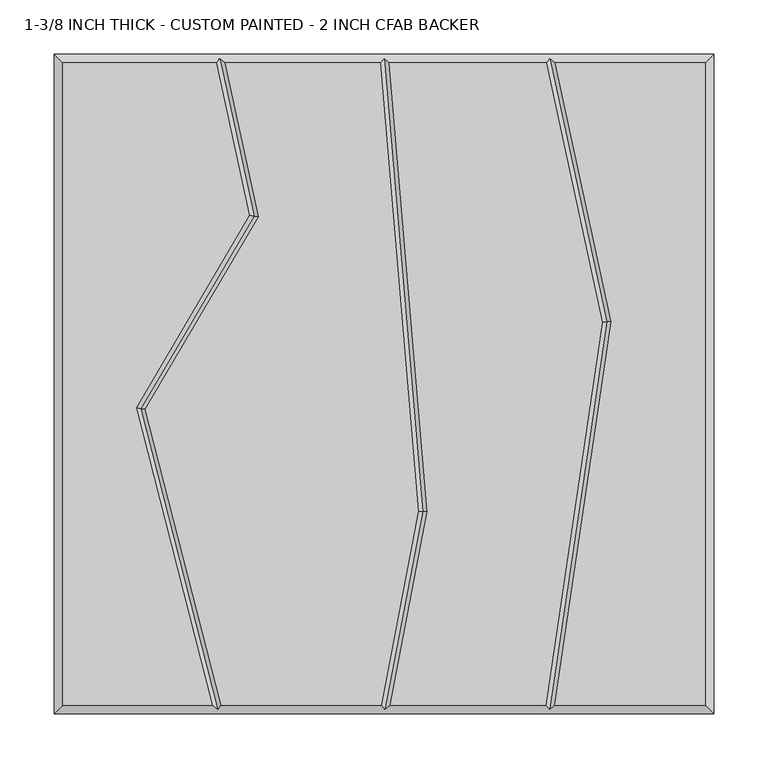
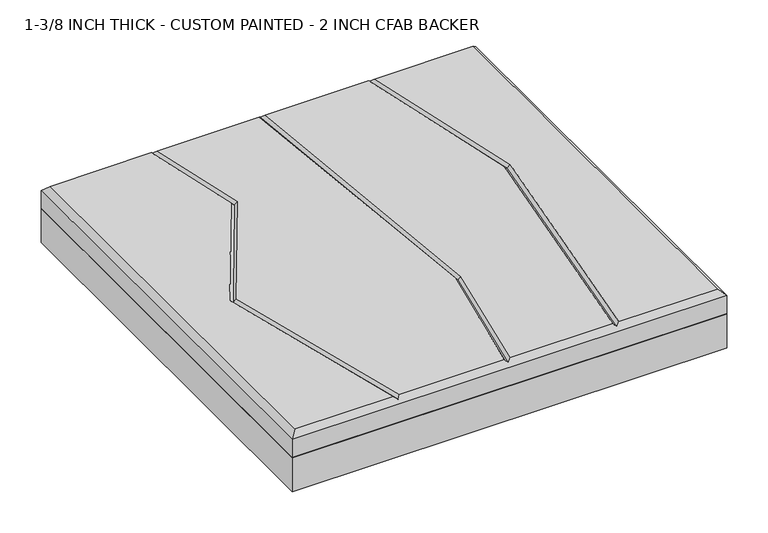
"""IFC4 building model written with IfcOpenShell, lengths in millimetres: proxy geometry, 1-3/8 INCH THICK - CUSTOM PAINTED - 2 INCH CFAB BACKER."""

from ifc_helpers import new_model, si_unit, frame, origin, place, context, project, spatial, polyline, outline, extrude, faceted_brep, source, transform, mapped, element, save


def proxy_1_3_8_inch_thick_custom_painted_2_inch_cfab_backer_2230d625(model_context):
    return source(origin(), model_context, "Body", "SolidModel", [
        extrude(outline(polyline([(-304.8, 304.8), (304.8, 304.8), (304.8, -304.8), (-304.8, -304.8), (-304.8, 304.8)])), frame((0.0, 0.0, -50.8), z_axis=(0.0, 0.0, 1.0), x_axis=(1.0, 0.0, 0.0)), (0.0, 0.0, 1.0), 50.8),
        faceted_brep([(-296.799, 296.799, 34.925), (-296.799, -296.799, 34.925), (-158.5803507, -296.799, 34.925), (-228.9486116, -22.1618467, 34.925), (-124.326786, 155.8449273, 34.925), (-154.765405, 296.799, 34.925), (296.799, -296.799, 34.925), (296.799, 296.799, 34.925), (158.2217247, 296.799, 34.925), (209.9251981, 57.4644259, 34.925), (157.6255242, -296.799, 34.925), (-220.3791386, -23.3717887, 34.925), (-150.3208923, -296.799, 34.925), (-2.5427901, -296.799, 34.925), (31.7252909, -117.6291285, 34.925), (-3.3378716, 296.799, 34.925), (-146.5799748, 296.799, 34.925), (-115.8470875, 154.4822402, 34.925), (39.7905877, -118.051219, 34.925), (5.6032358, -296.799, 34.925), (149.5378056, -296.799, 34.925), (201.7977561, 57.1953504, 34.925), (150.0361542, 296.799, 34.925), (4.6917137, 296.799, 34.925), (-304.8, 304.8, 0.0), (304.8, 304.8, 0.0), (304.8, -304.8, 0.0), (-304.8, -304.8, 0.0), (-304.8, -304.8, 26.924), (-304.8, 304.8, 26.924), (304.8, -304.8, 26.924), (304.8, 304.8, 26.924), (-151.5365862, 300.7995, 30.9245), (0.3384542, 300.7995, 30.9245), (153.264711, 300.7995, 30.9245), (152.9910738, -300.7995, 30.9245), (0.7650861, -300.7995, 30.9245), (-153.4256028, -300.7995, 30.9245), (-224.6638751, -22.7668177, 30.9245), (-120.0869367, 155.1635838, 30.9245), (35.7579393, -117.8401737, 30.9245), (205.8614771, 57.3298882, 30.9245)], [[[0, 1, 2, 3, 4, 5]], [[6, 7, 8, 9, 10]], [[11, 12, 13, 14, 15, 16, 17]], [[18, 19, 20, 21, 22, 23]], [[24, 25, 26, 27]], [[24, 27, 28, 29]], [[27, 26, 30, 28]], [[26, 25, 31, 30]], [[25, 24, 29, 31]], [[29, 0, 5, 32, 16, 15, 33, 23, 22, 34, 8, 7, 31]], [[0, 29, 28, 1]], [[1, 28, 30, 6, 10, 35, 20, 19, 36, 13, 12, 37, 2]], [[31, 7, 6, 30]], [[38, 3, 2, 37]], [[11, 38, 37, 12]], [[3, 38, 39, 4]], [[38, 11, 17, 39]], [[4, 39, 32, 5]], [[39, 17, 16, 32]], [[40, 14, 13, 36]], [[18, 40, 36, 19]], [[14, 40, 33, 15]], [[40, 18, 23, 33]], [[41, 21, 20, 35]], [[9, 41, 35, 10]], [[21, 41, 34, 22]], [[41, 9, 8, 34]]]),
    ])


if __name__ == "__main__":
    model = new_model("IFC4")
    model_context = context("Model", 3, world=origin())
    ifc_project = project(units=[si_unit("LENGTHUNIT", "METRE", prefix="MILLI")], contexts=[model_context])
    site = spatial("IfcSite", under=ifc_project)
    building = spatial("IfcBuilding", under=site)
    placement = place(None, origin())
    proxy_1_3_8_inch_thick_custom_painted_2_inch_cfab_backer_shape = proxy_1_3_8_inch_thick_custom_painted_2_inch_cfab_backer_2230d625(model_context)
    element("IfcBuildingElementProxy", 1, Name="1-3/8 INCH THICK - CUSTOM PAINTED - 2 INCH CFAB BACKER", ObjectType="1-3/8 INCH THICK - CUSTOM PAINTED - 2 INCH CFAB BACKER", at=placement, inside=building, context=model_context, shape_type="MappedRepresentation", body=[
        mapped(proxy_1_3_8_inch_thick_custom_painted_2_inch_cfab_backer_shape, transform((0.0, 0.0, 0.0), x_axis=(1.0, 0.0, 0.0), y_axis=(0.0, 1.0, 0.0), z_axis=(0.0, 0.0, 1.0))),
    ])
    save(model, "model.ifc")
